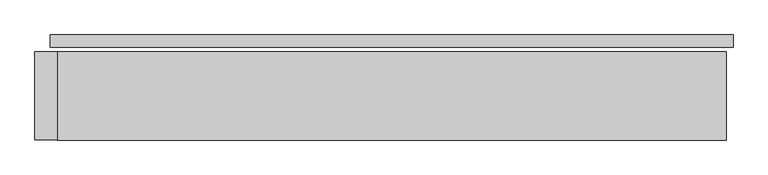
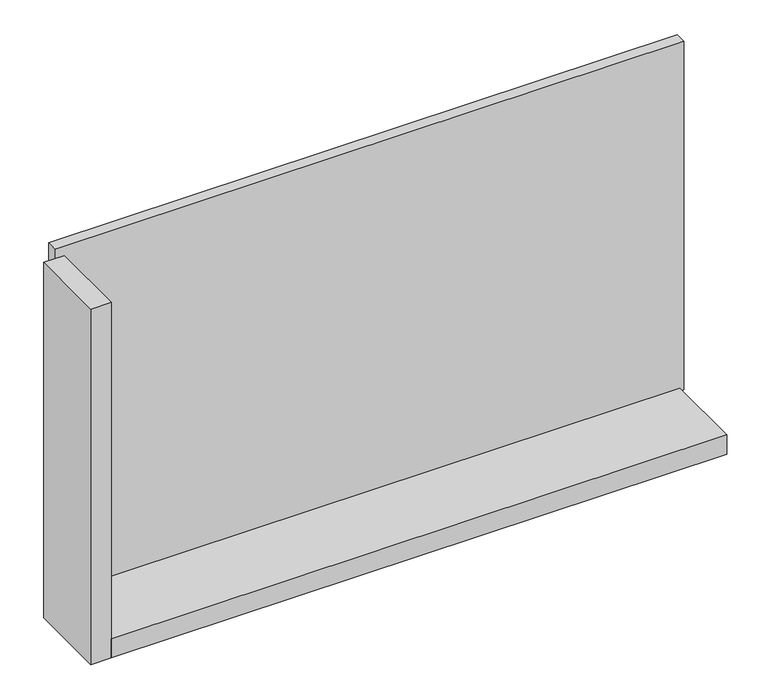
"""IFC4 building model written with IfcOpenShell, lengths in millimetres: plate geometry."""

import ifcopenshell
import ifcopenshell.guid

model = None  # the IFC model being written
_history = None  # IfcOwnerHistory: only IFC2X3 demands one
_inside = {}  # id of a spatial element -> (the spatial element, [elements in it])
_under = {}  # id of a project, library or spatial element -> (it, [spatial elements below it])
_declared = {}  # id of a project -> (the project, [libraries it declares])
_typed = {}  # id of a type object -> (the type object, [elements of that type])
_made_of = {}  # id of a material, layer set ... -> (it, [elements and type objects made of it])


def new_model(schema):
    """Start an empty IFC model of exactly this schema.

    Asked for "IFC4X3", IfcOpenShell would pick the latest addendum, in which some entities
    have other attributes; the version numbers below select the first issue.
    IFC2X3 requires an IfcOwnerHistory on every rooted entity: one is made here for all.
    """
    global model, _history
    if schema == "IFC4X3":
        model = ifcopenshell.file(schema_version=(4, 3, 0, 0))
    else:
        model = ifcopenshell.file(schema=schema)
    _inside.clear()
    _under.clear()
    _declared.clear()
    _typed.clear()
    _made_of.clear()
    _history = None
    if model.schema == "IFC2X3":
        org = make("IfcOrganization", Name="unknown")
        user = make(
            "IfcPersonAndOrganization",
            ThePerson=make("IfcPerson", FamilyName="unknown"),
            TheOrganization=org,
        )
        app = make(
            "IfcApplication",
            ApplicationDeveloper=org,
            Version="unknown",
            ApplicationFullName="unknown",
            ApplicationIdentifier="unknown",
        )
        _history = make(
            "IfcOwnerHistory",
            OwningUser=user,
            OwningApplication=app,
            ChangeAction="ADDED",
            CreationDate=0,
        )
    return model


def make(cls, **values):
    """One entity of the class cls with the attributes given. An attribute that is None is left unset."""
    return model.create_entity(
        cls, **{name: value for name, value in values.items() if value is not None}
    )


def rooted(cls, **values):
    """An entity with a GlobalId (a new one), such as an element, a storey or a relation."""
    return make(cls, GlobalId=ifcopenshell.guid.new(), OwnerHistory=_history, **values)


def si_unit(unit_type, name, prefix=None):
    """IfcSIUnit, for example si_unit("LENGTHUNIT", "METRE", prefix="MILLI")."""
    return make("IfcSIUnit", UnitType=unit_type, Prefix=prefix, Name=name)


def assignment(units):
    """IfcUnitAssignment: the units of a project."""
    return None if units is None else make("IfcUnitAssignment", Units=units)


def point(xyz):
    """IfcCartesianPoint."""
    return None if xyz is None else make("IfcCartesianPoint", Coordinates=xyz)


def direction(xyz):
    """IfcDirection."""
    return None if xyz is None else make("IfcDirection", DirectionRatios=xyz)


def frame(location, z_axis=None, x_axis=None):
    """IfcAxis2Placement3D, a coordinate frame: its origin and axes. An axis left out is left unset."""
    return make(
        "IfcAxis2Placement3D",
        Location=point(location),
        Axis=direction(z_axis),
        RefDirection=direction(x_axis),
    )


def origin():
    """The frame at (0, 0, 0) with its axes left unset."""
    return frame((0.0, 0.0, 0.0))


def origin_with_axes():
    """The frame at (0, 0, 0) with the z axis (0, 0, 1) and the x axis (1, 0, 0) written out."""
    return frame((0.0, 0.0, 0.0), z_axis=(0.0, 0.0, 1.0), x_axis=(1.0, 0.0, 0.0))


def place(relative_to, where):
    """IfcLocalPlacement: puts the frame where relative to a parent placement (None: the world)."""
    return make(
        "IfcLocalPlacement", PlacementRelTo=relative_to, RelativePlacement=where
    )


def context(
    kind, dimensions, precision=None, world=None, true_north=None, identifier=None
):
    """IfcGeometricRepresentationContext, for example the 3D "Model" context."""
    return make(
        "IfcGeometricRepresentationContext",
        ContextIdentifier=identifier,
        ContextType=kind,
        CoordinateSpaceDimension=dimensions,
        Precision=precision,
        WorldCoordinateSystem=world,
        TrueNorth=true_north,
    )


def project(units=None, contexts=None):
    """IfcProject with its units and contexts."""
    return rooted(
        "IfcProject",
        Name="project",
        RepresentationContexts=contexts,
        UnitsInContext=assignment(units),
    )


def spatial(cls, under=None, at=None, **own):
    """A site, building, storey or space (cls), placed at a placement, below another one or the project."""
    s = rooted(cls, ObjectPlacement=at, **own)
    if under is not None:
        _under.setdefault(under.id(), (under, []))[1].append(s)
    return s


def polyline(points):
    """IfcPolyline through the points."""
    return make("IfcPolyline", Points=[point(p) for p in points])


def outline(outer, holes=None, kind="AREA"):
    """IfcArbitraryClosedProfileDef: a profile drawn as a closed curve; with holes, ...WithVoids."""
    if holes is None:
        return make("IfcArbitraryClosedProfileDef", ProfileType=kind, OuterCurve=outer)
    return make(
        "IfcArbitraryProfileDefWithVoids",
        ProfileType=kind,
        OuterCurve=outer,
        InnerCurves=holes,
    )


def extrude(swept, where, along, depth):
    """IfcExtrudedAreaSolid: the profile swept, set in the frame where, extruded along a direction by depth."""
    return make(
        "IfcExtrudedAreaSolid",
        SweptArea=swept,
        Position=where,
        ExtrudedDirection=direction(along),
        Depth=depth,
    )


def shape(context_of_items, identifier, shape_type, items):
    """IfcShapeRepresentation: the items that make up one representation, for example the "Body"."""
    return make(
        "IfcShapeRepresentation",
        ContextOfItems=context_of_items,
        RepresentationIdentifier=identifier,
        RepresentationType=shape_type,
        Items=items,
    )


def source(mapping_origin, context_of_items, identifier, shape_type, items):
    """IfcRepresentationMap: a shape defined once, which mapped items show again and again."""
    return make(
        "IfcRepresentationMap",
        MappingOrigin=mapping_origin,
        MappedRepresentation=shape(context_of_items, identifier, shape_type, items),
    )


def transform(
    local_origin,
    x_axis=None,
    y_axis=None,
    z_axis=None,
    scale=None,
    scale2=None,
    scale3=None,
    uniform=True,
):
    """IfcCartesianTransformationOperator3D, or its non-uniform kind. x_axis, y_axis, z_axis: its Axis1, 2, 3."""
    if uniform:
        return make(
            "IfcCartesianTransformationOperator3D",
            Axis1=direction(x_axis),
            Axis2=direction(y_axis),
            LocalOrigin=point(local_origin),
            Scale=scale,
            Axis3=direction(z_axis),
        )
    return make(
        "IfcCartesianTransformationOperator3DnonUniform",
        Axis1=direction(x_axis),
        Axis2=direction(y_axis),
        LocalOrigin=point(local_origin),
        Scale=scale,
        Axis3=direction(z_axis),
        Scale2=scale2,
        Scale3=scale3,
    )


def mapped(mapping_source, mapping_target):
    """IfcMappedItem: shows the shape of a source again, moved by a transform."""
    return make(
        "IfcMappedItem", MappingSource=mapping_source, MappingTarget=mapping_target
    )


def made_of(thing, what):
    """Note that an element or type object is made of a material, layer set ...; save() writes the relation."""
    if what is not None:
        _made_of.setdefault(what.id(), (what, []))[1].append(thing)
    return thing


def element(
    cls,
    number,
    at=None,
    inside=None,
    cuts=None,
    type_object=None,
    material=None,
    context=None,
    identifier="Body",
    shape_type=None,
    held_by="IfcProductDefinitionShape",
    body=None,
    shapes=None,
    **own,
):
    """One element of the class cls, such as IfcWall. Its Tag is "e" and its number.

    at: its placement. inside: the storey or other place that contains it. cuts: it is an
    opening in that element (IfcRelVoidsElement). A single representation is given by context,
    identifier, shape_type and body (its items); several are given by shapes. held_by: the class
    of the entity that holds the representations. save() writes the other relations.
    """
    e = rooted(cls, Tag="e%d" % number, ObjectPlacement=at, **own)
    if body is not None:
        shapes = [shape(context, identifier, shape_type, body)]
    if shapes is not None:
        e.Representation = make(held_by, Representations=shapes)
    if inside is not None:
        _inside.setdefault(inside.id(), (inside, []))[1].append(e)
    if cuts is not None:
        rooted(
            "IfcRelVoidsElement", RelatingBuildingElement=cuts, RelatedOpeningElement=e
        )
    if type_object is not None:
        _typed.setdefault(type_object.id(), (type_object, []))[1].append(e)
    return made_of(e, material)


def aggregate(whole, parts):
    """IfcRelAggregates: a whole, such as a stair, and the parts it consists of."""
    return rooted("IfcRelAggregates", RelatingObject=whole, RelatedObjects=parts)


def save(model, path):
    """Write the relations noted so far, then the file.

    IfcRelAggregates (storeys below a building ...), IfcRelContainedInSpatialStructure (elements
    in a storey), IfcRelDefinesByType, IfcRelAssociatesMaterial and IfcRelDeclares: one each for
    every whole, place, type object, material and project.
    """
    for whole, parts in _under.values():
        aggregate(whole, parts)
    for where, things in _inside.values():
        rooted(
            "IfcRelContainedInSpatialStructure",
            RelatedElements=things,
            RelatingStructure=where,
        )
    for kind, things in _typed.values():
        rooted("IfcRelDefinesByType", RelatedObjects=things, RelatingType=kind)
    for what, things in _made_of.values():
        rooted("IfcRelAssociatesMaterial", RelatedObjects=things, RelatingMaterial=what)
    for by, libraries in _declared.values():
        rooted("IfcRelDeclares", RelatingContext=by, RelatedDefinitions=libraries)
    model.write(path)


def plate_af04f84d(model_context):
    return source(origin(), model_context, "Body", "SweptSolid", [
        extrude(outline(polyline([(1235.0, 0.0), (1235.0, -44.0), (-1235.0, -44.0), (-1235.0, 0.0), (1235.0, 0.0)])), origin_with_axes(), (0.0, 0.0, 1.0), 1447.534293),
        extrude(outline(polyline([(-1210.0, -60.0), (-1210.0, -380.0), (-1290.0, -380.0), (-1290.0, -60.0), (-1210.0, -60.0)])), frame((0.0, 0.0, -55.0), z_axis=(0.0, 0.0, 1.0), x_axis=(1.0, 0.0, 0.0)), (0.0, 0.0, 1.0), 1477.534293),
        extrude(outline(polyline([(1210.0, -380.0), (-1210.0, -380.0), (-1210.0, -60.0), (1210.0, -60.0), (1210.0, -380.0)])), frame((0.0, 0.0, -55.0), z_axis=(0.0, 0.0, 1.0), x_axis=(1.0, 0.0, 0.0)), (0.0, 0.0, 1.0), 80.0),
    ])


if __name__ == "__main__":
    model = new_model("IFC4")
    model_context = context("Model", 3, world=origin())
    ifc_project = project(units=[si_unit("LENGTHUNIT", "METRE", prefix="MILLI")], contexts=[model_context])
    site = spatial("IfcSite", under=ifc_project)
    building = spatial("IfcBuilding", under=site)
    placement = place(None, origin())
    plate_shape = plate_af04f84d(model_context)
    element("IfcPlate", 1, at=placement, inside=building, context=model_context, shape_type="MappedRepresentation", body=[
        mapped(plate_shape, transform((0.0, 0.0, 0.0), x_axis=(1.0, 0.0, 0.0), y_axis=(0.0, 1.0, 0.0), z_axis=(0.0, 0.0, 1.0))),
    ])
    save(model, "model.ifc")
